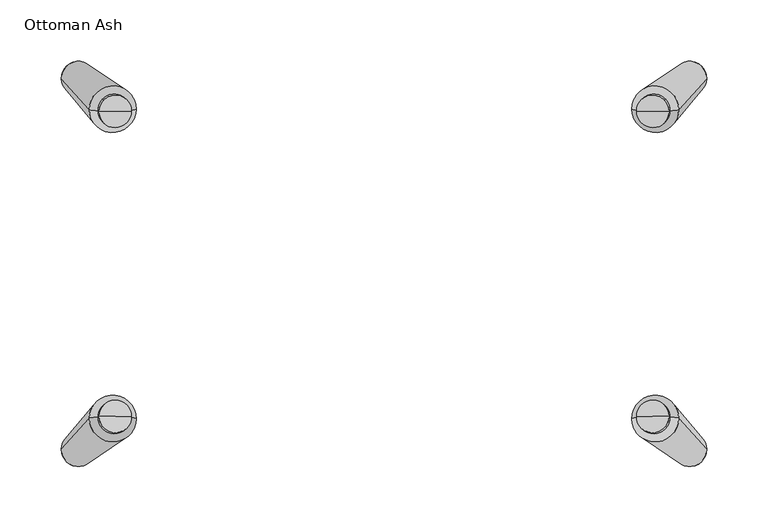
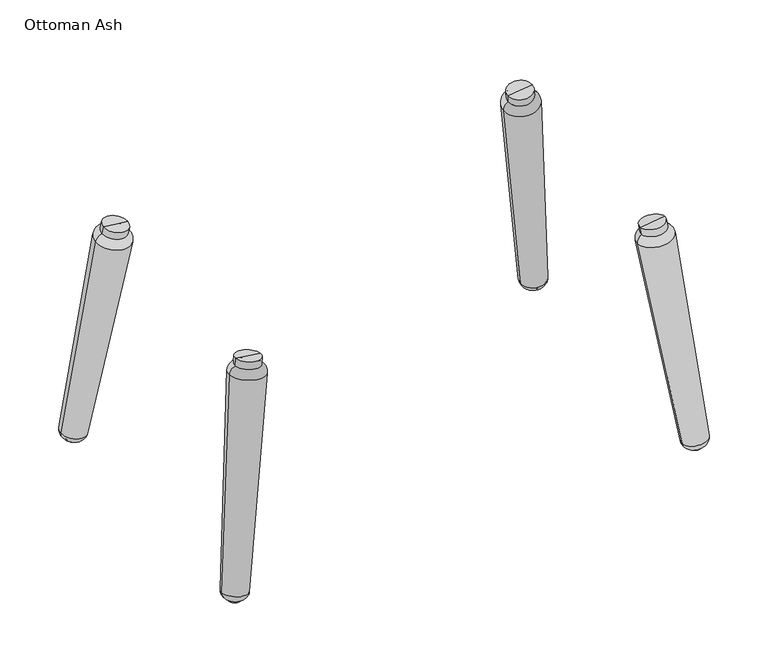
"""IFC4 building model written with IfcOpenShell, lengths in millimetres: furniture geometry, Ottoman Ash."""

import ifcopenshell
import ifcopenshell.guid

model = None  # the IFC model being written
_history = None  # IfcOwnerHistory: only IFC2X3 demands one
_inside = {}  # id of a spatial element -> (the spatial element, [elements in it])
_under = {}  # id of a project, library or spatial element -> (it, [spatial elements below it])
_declared = {}  # id of a project -> (the project, [libraries it declares])
_typed = {}  # id of a type object -> (the type object, [elements of that type])
_made_of = {}  # id of a material, layer set ... -> (it, [elements and type objects made of it])


def new_model(schema):
    """Start an empty IFC model of exactly this schema.

    Asked for "IFC4X3", IfcOpenShell would pick the latest addendum, in which some entities
    have other attributes; the version numbers below select the first issue.
    IFC2X3 requires an IfcOwnerHistory on every rooted entity: one is made here for all.
    """
    global model, _history
    if schema == "IFC4X3":
        model = ifcopenshell.file(schema_version=(4, 3, 0, 0))
    else:
        model = ifcopenshell.file(schema=schema)
    _inside.clear()
    _under.clear()
    _declared.clear()
    _typed.clear()
    _made_of.clear()
    _history = None
    if model.schema == "IFC2X3":
        org = make("IfcOrganization", Name="unknown")
        user = make(
            "IfcPersonAndOrganization",
            ThePerson=make("IfcPerson", FamilyName="unknown"),
            TheOrganization=org,
        )
        app = make(
            "IfcApplication",
            ApplicationDeveloper=org,
            Version="unknown",
            ApplicationFullName="unknown",
            ApplicationIdentifier="unknown",
        )
        _history = make(
            "IfcOwnerHistory",
            OwningUser=user,
            OwningApplication=app,
            ChangeAction="ADDED",
            CreationDate=0,
        )
    return model


def make(cls, **values):
    """One entity of the class cls with the attributes given. An attribute that is None is left unset."""
    return model.create_entity(
        cls, **{name: value for name, value in values.items() if value is not None}
    )


def rooted(cls, **values):
    """An entity with a GlobalId (a new one), such as an element, a storey or a relation."""
    return make(cls, GlobalId=ifcopenshell.guid.new(), OwnerHistory=_history, **values)


def si_unit(unit_type, name, prefix=None):
    """IfcSIUnit, for example si_unit("LENGTHUNIT", "METRE", prefix="MILLI")."""
    return make("IfcSIUnit", UnitType=unit_type, Prefix=prefix, Name=name)


def assignment(units):
    """IfcUnitAssignment: the units of a project."""
    return None if units is None else make("IfcUnitAssignment", Units=units)


def point(xyz):
    """IfcCartesianPoint."""
    return None if xyz is None else make("IfcCartesianPoint", Coordinates=xyz)


def direction(xyz):
    """IfcDirection."""
    return None if xyz is None else make("IfcDirection", DirectionRatios=xyz)


def frame(location, z_axis=None, x_axis=None):
    """IfcAxis2Placement3D, a coordinate frame: its origin and axes. An axis left out is left unset."""
    return make(
        "IfcAxis2Placement3D",
        Location=point(location),
        Axis=direction(z_axis),
        RefDirection=direction(x_axis),
    )


def origin():
    """The frame at (0, 0, 0) with its axes left unset."""
    return frame((0.0, 0.0, 0.0))


def place(relative_to, where):
    """IfcLocalPlacement: puts the frame where relative to a parent placement (None: the world)."""
    return make(
        "IfcLocalPlacement", PlacementRelTo=relative_to, RelativePlacement=where
    )


def context(
    kind, dimensions, precision=None, world=None, true_north=None, identifier=None
):
    """IfcGeometricRepresentationContext, for example the 3D "Model" context."""
    return make(
        "IfcGeometricRepresentationContext",
        ContextIdentifier=identifier,
        ContextType=kind,
        CoordinateSpaceDimension=dimensions,
        Precision=precision,
        WorldCoordinateSystem=world,
        TrueNorth=true_north,
    )


def project(units=None, contexts=None):
    """IfcProject with its units and contexts."""
    return rooted(
        "IfcProject",
        Name="project",
        RepresentationContexts=contexts,
        UnitsInContext=assignment(units),
    )


def spatial(cls, under=None, at=None, **own):
    """A site, building, storey or space (cls), placed at a placement, below another one or the project."""
    s = rooted(cls, ObjectPlacement=at, **own)
    if under is not None:
        _under.setdefault(under.id(), (under, []))[1].append(s)
    return s


def circle_curve(where, radius):
    """IfcCircle in the frame where."""
    return make("IfcCircle", Position=where, Radius=radius)


def ellipse_curve(where, semi_axis1, semi_axis2):
    """IfcEllipse in the frame where."""
    return make(
        "IfcEllipse", Position=where, SemiAxis1=semi_axis1, SemiAxis2=semi_axis2
    )


def trimmed(basis, trim1, trim2, sense, master):
    """IfcTrimmedCurve: the piece of a basis curve between two trims."""
    return make(
        "IfcTrimmedCurve",
        BasisCurve=basis,
        Trim1=trim1,
        Trim2=trim2,
        SenseAgreement=sense,
        MasterRepresentation=master,
    )


def shape(context_of_items, identifier, shape_type, items):
    """IfcShapeRepresentation: the items that make up one representation, for example the "Body"."""
    return make(
        "IfcShapeRepresentation",
        ContextOfItems=context_of_items,
        RepresentationIdentifier=identifier,
        RepresentationType=shape_type,
        Items=items,
    )


def source(mapping_origin, context_of_items, identifier, shape_type, items):
    """IfcRepresentationMap: a shape defined once, which mapped items show again and again."""
    return make(
        "IfcRepresentationMap",
        MappingOrigin=mapping_origin,
        MappedRepresentation=shape(context_of_items, identifier, shape_type, items),
    )


def transform(
    local_origin,
    x_axis=None,
    y_axis=None,
    z_axis=None,
    scale=None,
    scale2=None,
    scale3=None,
    uniform=True,
):
    """IfcCartesianTransformationOperator3D, or its non-uniform kind. x_axis, y_axis, z_axis: its Axis1, 2, 3."""
    if uniform:
        return make(
            "IfcCartesianTransformationOperator3D",
            Axis1=direction(x_axis),
            Axis2=direction(y_axis),
            LocalOrigin=point(local_origin),
            Scale=scale,
            Axis3=direction(z_axis),
        )
    return make(
        "IfcCartesianTransformationOperator3DnonUniform",
        Axis1=direction(x_axis),
        Axis2=direction(y_axis),
        LocalOrigin=point(local_origin),
        Scale=scale,
        Axis3=direction(z_axis),
        Scale2=scale2,
        Scale3=scale3,
    )


def mapped(mapping_source, mapping_target):
    """IfcMappedItem: shows the shape of a source again, moved by a transform."""
    return make(
        "IfcMappedItem", MappingSource=mapping_source, MappingTarget=mapping_target
    )


def made_of(thing, what):
    """Note that an element or type object is made of a material, layer set ...; save() writes the relation."""
    if what is not None:
        _made_of.setdefault(what.id(), (what, []))[1].append(thing)
    return thing


def element(
    cls,
    number,
    at=None,
    inside=None,
    cuts=None,
    type_object=None,
    material=None,
    context=None,
    identifier="Body",
    shape_type=None,
    held_by="IfcProductDefinitionShape",
    body=None,
    shapes=None,
    **own,
):
    """One element of the class cls, such as IfcWall. Its Tag is "e" and its number.

    at: its placement. inside: the storey or other place that contains it. cuts: it is an
    opening in that element (IfcRelVoidsElement). A single representation is given by context,
    identifier, shape_type and body (its items); several are given by shapes. held_by: the class
    of the entity that holds the representations. save() writes the other relations.
    """
    e = rooted(cls, Tag="e%d" % number, ObjectPlacement=at, **own)
    if body is not None:
        shapes = [shape(context, identifier, shape_type, body)]
    if shapes is not None:
        e.Representation = make(held_by, Representations=shapes)
    if inside is not None:
        _inside.setdefault(inside.id(), (inside, []))[1].append(e)
    if cuts is not None:
        rooted(
            "IfcRelVoidsElement", RelatingBuildingElement=cuts, RelatedOpeningElement=e
        )
    if type_object is not None:
        _typed.setdefault(type_object.id(), (type_object, []))[1].append(e)
    return made_of(e, material)


def aggregate(whole, parts):
    """IfcRelAggregates: a whole, such as a stair, and the parts it consists of."""
    return rooted("IfcRelAggregates", RelatingObject=whole, RelatedObjects=parts)


def save(model, path):
    """Write the relations noted so far, then the file.

    IfcRelAggregates (storeys below a building ...), IfcRelContainedInSpatialStructure (elements
    in a storey), IfcRelDefinesByType, IfcRelAssociatesMaterial and IfcRelDeclares: one each for
    every whole, place, type object, material and project.
    """
    for whole, parts in _under.values():
        aggregate(whole, parts)
    for where, things in _inside.values():
        rooted(
            "IfcRelContainedInSpatialStructure",
            RelatedElements=things,
            RelatingStructure=where,
        )
    for kind, things in _typed.values():
        rooted("IfcRelDefinesByType", RelatedObjects=things, RelatingType=kind)
    for what, things in _made_of.values():
        rooted("IfcRelAssociatesMaterial", RelatedObjects=things, RelatingMaterial=what)
    for by, libraries in _declared.values():
        rooted("IfcRelDeclares", RelatingContext=by, RelatedDefinitions=libraries)
    model.write(path)


def plane_surface(at):
    """IfcPlane: the flat surface through the origin of the frame at, square to its z axis."""
    return make("IfcPlane", Position=at)


def cylinder_surface(at, radius):
    """IfcCylindricalSurface: all points at the distance radius from the z axis of the frame at."""
    return make("IfcCylindricalSurface", Position=at, Radius=radius)


def revolved_surface(curve, axis_point, axis_direction):
    """IfcSurfaceOfRevolution: the curve turned about the line through axis_point along axis_direction."""
    return make(
        "IfcSurfaceOfRevolution",
        SweptCurve=make("IfcArbitraryOpenProfileDef", ProfileType="CURVE", Curve=curve),
        AxisPosition=make("IfcAxis1Placement", Location=point(axis_point), Axis=direction(axis_direction)),
    )


def advanced_brep(points, edges, surfaces, faces):
    """IfcAdvancedBrep: a solid bounded by faces that lie on surfaces and meet in shared edges.

    An edge is (start, end): straight between two places in points (the first is 0);
    or (start, end, curve); or (start, end, curve, False) where it runs against its curve.
    A face is (place in surfaces, loops), or (place, loops, False) where it looks against
    its surface's normal. A loop lists edges by number (the first is 1), with a minus sign
    where the edge is run from its end to its start. The first loop is the outer one.
    """
    corners = [point(p) for p in points]
    vertices = [make("IfcVertexPoint", VertexGeometry=c) for c in corners]
    made = []
    for start, end, *more in edges:
        made.append(
            make(
                "IfcEdgeCurve",
                EdgeStart=vertices[start],
                EdgeEnd=vertices[end],
                EdgeGeometry=more[0] if more else make("IfcPolyline", Points=[corners[start], corners[end]]),
                SameSense=more[1] if len(more) > 1 else True,
            )
        )
    hull = []
    for where, loops, *sense in faces:
        bounds = []
        for j, loop in enumerate(loops):
            ring = [make("IfcOrientedEdge", EdgeElement=made[abs(k) - 1], Orientation=k > 0) for k in loop]
            bounds.append(
                make(
                    "IfcFaceOuterBound" if j == 0 else "IfcFaceBound",
                    Bound=make("IfcEdgeLoop", EdgeList=ring),
                    Orientation=True,
                )
            )
        hull.append(make("IfcAdvancedFace", Bounds=bounds, FaceSurface=surfaces[where], SameSense=sense[0] if sense else True))
    return make("IfcAdvancedBrep", Outer=make("IfcClosedShell", CfsFaces=hull))


def ottoman_ash_db620d0a(model_context):
    return source(origin(), model_context, "Body", "AdvancedBrep", [
        advanced_brep(
        [(202.0126849, 126.4446062, 235.3753679), (239.9874045, 125.9223667, 240.0380771), (262.8022365, 151.2418299, 13.978389), (235.2484559, 151.6207576, 10.5952101), (206.7135706, 125.442583, 244.321729), (233.2368173, 125.0778275, 247.5783743), (205.7392558, 124.5648293, 252.1585748), (232.2625025, 124.2000738, 255.41522), (219.0008791, 124.3824515, 253.7868974), (242.3939543, 152.3749799, 3.8612891), (257.5208247, 152.1669507, 5.7186353), (250.5261831, 152.7833877, 0.2149029), (241.2346383, 152.3909231, 3.718943), (258.6801407, 152.1510075, 5.8609814)],
        [
            (0, 1, circle_curve(frame((221.0000447, 126.1834865, 237.7067225), z_axis=(0.12261994994802575, 0.1104674951840009, -0.9862866116816736), x_axis=(0.9924537006202072, -0.013648514506904514, 0.12185799184711342)), 19.1317336)),
            (1, 2, circle_curve(frame((-3442.8950304, 179.8243388, -241.2147416), z_axis=(0.0, 0.9937860184967022, 0.11130745455930813), x_axis=(-1.0000000000000002, 0.0, 0.0)), 3714.5837893)),
            (2, 3, circle_curve(frame((249.0253462, 151.4312937, 12.2867996), z_axis=(-0.12261994994802575, -0.1104674951840009, 0.9862866116816736), x_axis=(0.9924537006202072, -0.013648514506904514, 0.12185799184711342)), 13.8816453)),
            (3, 0, circle_curve(frame((3892.0102081, 78.9525697, 659.3983774), z_axis=(0.0, 0.9937860184967022, 0.11130745455930852), x_axis=(0.9699286957494875, -0.027091037460695105, 0.24187682991762904)), 3714.5837893)),
            (1, 0, circle_curve(frame((221.0000447, 126.1834865, 237.7067225), z_axis=(0.12261994994802575, 0.1104674951840009, -0.9862866116816736), x_axis=(0.9924537006202072, -0.013648514506904514, 0.12185799184711342)), 19.1317336)),
            (3, 2, circle_curve(frame((249.0253462, 151.4312937, 12.2867996), z_axis=(-0.12261994994802575, -0.1104674951840009, 0.9862866116816736), x_axis=(0.9924537006202072, -0.013648514506904514, 0.12185799184711342)), 13.8816453)),
            (4, 5, circle_curve(frame((219.9751939, 125.2602052, 245.9500516), z_axis=(0.12261994994802575, 0.1104674951840009, -0.9862866116816736), x_axis=(0.9924537006202072, -0.013648514506904514, 0.12185799184711342)), 13.3624605)),
            (5, 1, circle_curve(frame((231.0232737, 126.0535641, 238.8667084), z_axis=(0.0, 0.9937860184967022, 0.11130745455930813), x_axis=(-1.0000000000000002, 0.0, 0.0)), 9.0412918)),
            (0, 4, circle_curve(frame((210.9941338, 126.3290107, 236.4074393), z_axis=(0.0, 0.9937860184967022, 0.11130745455930852), x_axis=(0.9699286957494875, -0.027091037460695105, 0.24187682991762904)), 9.0412918)),
            (5, 4, circle_curve(frame((219.9751939, 125.2602052, 245.9500516), z_axis=(0.12261994994802575, 0.1104674951840009, -0.9862866116816736), x_axis=(0.9924537006202072, -0.013648514506904514, 0.12185799184711342)), 13.3624605)),
            (6, 7, circle_curve(frame((219.0008791, 124.3824515, 253.7868974), z_axis=(0.12261994994802575, 0.1104674951840009, -0.9862866116816736), x_axis=(0.9924537006202072, -0.013648514506904514, 0.12185799184711342)), 13.3624605)),
            (7, 5),
            (4, 6),
            (7, 6, circle_curve(frame((219.0008791, 124.3824515, 253.7868974), z_axis=(0.12261994994802575, 0.1104674951840009, -0.9862866116816736), x_axis=(0.9924537006202072, -0.013648514506904514, 0.12185799184711342)), 13.3624605)),
            (8, 7),
            (6, 8),
            (9, 10, circle_curve(frame((249.9573895, 152.2709653, 4.7899622), z_axis=(0.12261994994802575, 0.1104674951840009, -0.9862866116816736), x_axis=(0.9924537006202072, -0.013648514506904514, 0.12185799184711342)), 7.6209451)),
            (10, 11, circle_curve(frame((249.6006117, 151.8533965, 8.5181404), z_axis=(0.0, 0.9937860184967022, 0.11130745455930813), x_axis=(-1.0000000000000002, 0.0, 0.0)), 8.4062666)),
            (11, 9, circle_curve(frame((249.3903662, 151.8562879, 8.4923255), z_axis=(0.0, 0.9937860184967022, 0.11130745455930852), x_axis=(0.9699286957494875, -0.027091037460695105, 0.24187682991762904)), 8.4062666)),
            (10, 9, circle_curve(frame((249.9573895, 152.2709653, 4.7899622), z_axis=(0.12261994994802575, 0.1104674951840009, -0.9862866116816736), x_axis=(0.9924537006202072, -0.013648514506904514, 0.12185799184711342)), 7.6209451)),
            (12, 13, circle_curve(frame((249.9573895, 152.2709653, 4.7899622), z_axis=(0.12261994994802575, 0.1104674951840009, -0.9862866116816736), x_axis=(0.9924537006202072, -0.013648514506904514, 0.12185799184711342)), 8.7890762)),
            (13, 10),
            (9, 12),
            (13, 12, circle_curve(frame((249.9573895, 152.2709653, 4.7899622), z_axis=(0.12261994994802575, 0.1104674951840009, -0.9862866116816736), x_axis=(0.9924537006202072, -0.013648514506904514, 0.12185799184711342)), 8.7890762)),
            (2, 13, circle_curve(frame((253.8742775, 151.3106924, 13.3635644), z_axis=(0.0, 0.9937860184967022, 0.11130745455930813), x_axis=(-1.0000000000000002, 0.0, 0.0)), 8.9493688)),
            (12, 3, circle_curve(frame((244.0585169, 151.4456816, 12.1583405), z_axis=(0.0, 0.9937860184967022, 0.11130745455930852), x_axis=(0.9699286957494875, -0.027091037460695105, 0.24187682991762904)), 8.9493688)),
        ],
        [
            revolved_surface(trimmed(ellipse_curve(frame((-3442.8950304, 179.8243388, -241.2147416), z_axis=(0.0, -0.9937860184967022, -0.11130745455930813), x_axis=(-1.0000000000000002, 0.0, 0.0)), 3714.5837893, 3714.5837893), [point((262.8022365, 151.2418299, 13.978389))], [point((239.9874045, 125.9223667, 240.0380771))], True, "CARTESIAN"), (250.5261831, 152.7833877, 0.2149029), (-0.12261994994802575, -0.1104674951840009, 0.9862866116816736)),
            revolved_surface(trimmed(ellipse_curve(frame((-3442.8950304, 179.8243388, -241.2147416), z_axis=(0.0, -0.9937860184967025, -0.11130745455930816), x_axis=(-1.0000000000000002, 0.0, 0.0)), 3714.5837893, 3714.5837893), [point((262.8022365, 151.2418299, 13.978389))], [point((239.9874045, 125.9223667, 240.0380771))], True, "CARTESIAN"), (250.5261831, 152.7833877, 0.2149029), (-0.12261994994802575, -0.1104674951840009, 0.9862866116816736)),
            revolved_surface(trimmed(ellipse_curve(frame((231.0232737, 126.0535641, 238.8667084), z_axis=(0.0, -0.9937860184967022, -0.11130745455930813), x_axis=(-1.0000000000000002, 0.0, 0.0)), 9.0412918, 9.0412918), [point((239.9874045, 125.9223667, 240.0380771))], [point((233.2368173, 125.0778275, 247.5783743))], True, "CARTESIAN"), (250.5261831, 152.7833877, 0.2149029), (-0.12261994994802575, -0.1104674951840009, 0.9862866116816736)),
            revolved_surface(trimmed(ellipse_curve(frame((231.0232737, 126.0535641, 238.8667084), z_axis=(0.0, -0.9937860184967025, -0.11130745455930816), x_axis=(-1.0000000000000002, 0.0, 0.0)), 9.0412918, 9.0412918), [point((239.9874045, 125.9223667, 240.0380771))], [point((233.2368173, 125.0778275, 247.5783743))], True, "CARTESIAN"), (250.5261831, 152.7833877, 0.2149029), (-0.12261994994802575, -0.1104674951840009, 0.9862866116816736)),
            cylinder_surface(frame((250.5261831, 152.7833877, 0.2149029), z_axis=(-0.12261994994802575, -0.1104674951840009, 0.9862866116816736), x_axis=(0.9924537006202072, -0.013648514506904514, 0.12185799184711342)), 13.3624605),
            plane_surface(frame((219.0008791, 124.3824515, 253.7868974), z_axis=(-0.12261994994802577, -0.11046749518400091, 0.9862866116816739), x_axis=(0.9924537006202072, -0.013648514506904514, 0.12185799184711342))),
            revolved_surface(trimmed(ellipse_curve(frame((249.6006117, 151.8533965, 8.5181404), z_axis=(0.0, -0.9937860184967022, -0.11130745455930813), x_axis=(-1.0000000000000002, 0.0, 0.0)), 8.4062666, 8.4062666), [point((250.5261831, 152.7833877, 0.2149029))], [point((257.5208247, 152.1669507, 5.7186353))], True, "CARTESIAN"), (250.5261831, 152.7833877, 0.2149029), (-0.12261994994802575, -0.1104674951840009, 0.9862866116816736)),
            revolved_surface(trimmed(ellipse_curve(frame((249.6006117, 151.8533965, 8.5181404), z_axis=(0.0, -0.9937860184967025, -0.11130745455930816), x_axis=(-1.0000000000000002, 0.0, 0.0)), 8.4062666, 8.4062666), [point((250.5261831, 152.7833877, 0.2149029))], [point((257.5208247, 152.1669507, 5.7186353))], True, "CARTESIAN"), (250.5261831, 152.7833877, 0.2149029), (-0.12261994994802575, -0.1104674951840009, 0.9862866116816736)),
            plane_surface(frame((249.9573895, 152.2709653, 4.7899622), z_axis=(0.12261994994802577, 0.11046749518400091, -0.9862866116816739), x_axis=(0.9924537006202072, -0.013648514506904514, 0.12185799184711342))),
            revolved_surface(trimmed(ellipse_curve(frame((253.8742775, 151.3106924, 13.3635644), z_axis=(0.0, -0.9937860184967022, -0.11130745455930813), x_axis=(-1.0000000000000002, 0.0, 0.0)), 8.9493688, 8.9493688), [point((258.6801407, 152.1510075, 5.8609814))], [point((262.8022365, 151.2418299, 13.978389))], True, "CARTESIAN"), (250.5261831, 152.7833877, 0.2149029), (-0.12261994994802575, -0.1104674951840009, 0.9862866116816736)),
            revolved_surface(trimmed(ellipse_curve(frame((253.8742775, 151.3106924, 13.3635644), z_axis=(0.0, -0.9937860184967025, -0.11130745455930816), x_axis=(-1.0000000000000002, 0.0, 0.0)), 8.9493688, 8.9493688), [point((258.6801407, 152.1510075, 5.8609814))], [point((262.8022365, 151.2418299, 13.978389))], True, "CARTESIAN"), (250.5261831, 152.7833877, 0.2149029), (-0.12261994994802575, -0.1104674951840009, 0.9862866116816736)),
        ],
        [
            (0, [[1, 2, 3, 4]]),
            (1, [[5, -4, 6, -2]]),
            (2, [[7, 8, -1, 9]]),
            (3, [[10, -9, -5, -8]]),
            (4, [[11, 12, -7, 13]]),
            (4, [[14, -13, -10, -12]]),
            (5, [[15, -11, 16]]),
            (5, [[-16, -14, -15]]),
            (6, [[17, 18, 19]]),
            (7, [[20, -19, -18]]),
            (8, [[21, 22, -17, 23]]),
            (8, [[24, -23, -20, -22]]),
            (9, [[-3, 25, -21, 26]]),
            (10, [[-6, -26, -24, -25]]),
        ],
    ),
        advanced_brep(
        [(235.2484559, -151.6207576, 10.5952101), (262.8022365, -151.2418299, 13.978389), (239.9874045, -125.9223667, 240.0380771), (202.0126849, -126.4446062, 235.3753679), (233.2368173, -125.0778275, 247.5783743), (206.7135706, -125.442583, 244.321729), (232.2625025, -124.2000738, 255.41522), (205.7392558, -124.5648293, 252.1585748), (219.0008791, -124.3824515, 253.7868974), (250.5261831, -152.7833877, 0.2149029), (257.5208247, -152.1669507, 5.7186353), (242.3939543, -152.3749799, 3.8612891), (258.6801407, -152.1510075, 5.8609814), (241.2346383, -152.3909231, 3.718943)],
        [
            (0, 1, circle_curve(frame((249.0253462, -151.4312937, 12.2867996), z_axis=(-0.12261994994802575, 0.1104674951840009, 0.9862866116816736), x_axis=(0.9924537006202072, 0.013648514506904514, 0.12185799184711342)), 13.8816453)),
            (1, 2, circle_curve(frame((-3442.8950304, -179.8243388, -241.2147416), z_axis=(0.0, -0.9937860184967022, 0.11130745455930813), x_axis=(-1.0000000000000002, 0.0, 0.0)), 3714.5837893)),
            (2, 3, circle_curve(frame((221.0000447, -126.1834865, 237.7067225), z_axis=(0.12261994994802575, -0.1104674951840009, -0.9862866116816736), x_axis=(0.9924537006202072, 0.013648514506904514, 0.12185799184711342)), 19.1317336)),
            (3, 0, circle_curve(frame((3892.0102081, -78.9525697, 659.3983774), z_axis=(0.0, -0.9937860184967022, 0.11130745455930852), x_axis=(0.9699286957494875, 0.027091037460695105, 0.24187682991762904)), 3714.5837893)),
            (1, 0, circle_curve(frame((249.0253462, -151.4312937, 12.2867996), z_axis=(-0.12261994994802575, 0.1104674951840009, 0.9862866116816736), x_axis=(0.9924537006202072, 0.013648514506904514, 0.12185799184711342)), 13.8816453)),
            (3, 2, circle_curve(frame((221.0000447, -126.1834865, 237.7067225), z_axis=(0.12261994994802575, -0.1104674951840009, -0.9862866116816736), x_axis=(0.9924537006202072, 0.013648514506904514, 0.12185799184711342)), 19.1317336)),
            (2, 4, circle_curve(frame((231.0232737, -126.0535641, 238.8667084), z_axis=(0.0, -0.9937860184967022, 0.11130745455930813), x_axis=(-1.0000000000000002, 0.0, 0.0)), 9.0412918)),
            (4, 5, circle_curve(frame((219.9751939, -125.2602052, 245.9500516), z_axis=(0.12261994994802575, -0.1104674951840009, -0.9862866116816736), x_axis=(0.9924537006202072, 0.013648514506904514, 0.12185799184711342)), 13.3624605)),
            (5, 3, circle_curve(frame((210.9941338, -126.3290107, 236.4074393), z_axis=(0.0, -0.9937860184967022, 0.11130745455930852), x_axis=(0.9699286957494875, 0.027091037460695105, 0.24187682991762904)), 9.0412918)),
            (5, 4, circle_curve(frame((219.9751939, -125.2602052, 245.9500516), z_axis=(0.12261994994802575, -0.1104674951840009, -0.9862866116816736), x_axis=(0.9924537006202072, 0.013648514506904514, 0.12185799184711342)), 13.3624605)),
            (4, 6),
            (6, 7, circle_curve(frame((219.0008791, -124.3824515, 253.7868974), z_axis=(0.12261994994802575, -0.1104674951840009, -0.9862866116816736), x_axis=(0.9924537006202072, 0.013648514506904514, 0.12185799184711342)), 13.3624605)),
            (7, 5),
            (7, 6, circle_curve(frame((219.0008791, -124.3824515, 253.7868974), z_axis=(0.12261994994802575, -0.1104674951840009, -0.9862866116816736), x_axis=(0.9924537006202072, 0.013648514506904514, 0.12185799184711342)), 13.3624605)),
            (6, 8),
            (8, 7),
            (9, 10, circle_curve(frame((249.6006117, -151.8533965, 8.5181404), z_axis=(0.0, -0.9937860184967022, 0.11130745455930813), x_axis=(-1.0000000000000002, 0.0, 0.0)), 8.4062666)),
            (10, 11, circle_curve(frame((249.9573895, -152.2709653, 4.7899622), z_axis=(0.12261994994802575, -0.1104674951840009, -0.9862866116816736), x_axis=(0.9924537006202072, 0.013648514506904514, 0.12185799184711342)), 7.6209451)),
            (11, 9, circle_curve(frame((249.3903662, -151.8562879, 8.4923255), z_axis=(0.0, -0.9937860184967022, 0.11130745455930852), x_axis=(0.9699286957494875, 0.027091037460695105, 0.24187682991762904)), 8.4062666)),
            (11, 10, circle_curve(frame((249.9573895, -152.2709653, 4.7899622), z_axis=(0.12261994994802575, -0.1104674951840009, -0.9862866116816736), x_axis=(0.9924537006202072, 0.013648514506904514, 0.12185799184711342)), 7.6209451)),
            (10, 12),
            (12, 13, circle_curve(frame((249.9573895, -152.2709653, 4.7899622), z_axis=(0.12261994994802575, -0.1104674951840009, -0.9862866116816736), x_axis=(0.9924537006202072, 0.013648514506904514, 0.12185799184711342)), 8.7890762)),
            (13, 11),
            (13, 12, circle_curve(frame((249.9573895, -152.2709653, 4.7899622), z_axis=(0.12261994994802575, -0.1104674951840009, -0.9862866116816736), x_axis=(0.9924537006202072, 0.013648514506904514, 0.12185799184711342)), 8.7890762)),
            (12, 1, circle_curve(frame((253.8742775, -151.3106924, 13.3635644), z_axis=(0.0, -0.9937860184967022, 0.11130745455930813), x_axis=(-1.0000000000000002, 0.0, 0.0)), 8.9493688)),
            (0, 13, circle_curve(frame((244.0585169, -151.4456816, 12.1583405), z_axis=(0.0, -0.9937860184967022, 0.11130745455930852), x_axis=(0.9699286957494875, 0.027091037460695105, 0.24187682991762904)), 8.9493688)),
        ],
        [
            revolved_surface(trimmed(ellipse_curve(frame((-3442.8950304, -179.8243388, -241.2147416), z_axis=(0.0, 0.9937860184967022, -0.11130745455930813), x_axis=(-1.0000000000000002, 0.0, 0.0)), 3714.5837893, 3714.5837893), [point((239.9874045, -125.9223667, 240.0380771))], [point((262.8022365, -151.2418299, 13.978389))], True, "CARTESIAN"), (250.5261831, -152.7833877, 0.2149029), (0.12261994994802575, -0.1104674951840009, -0.9862866116816736)),
            revolved_surface(trimmed(ellipse_curve(frame((-3442.8950304, -179.8243388, -241.2147416), z_axis=(0.0, 0.9937860184967025, -0.11130745455930816), x_axis=(-1.0000000000000002, 0.0, 0.0)), 3714.5837893, 3714.5837893), [point((239.9874045, -125.9223667, 240.0380771))], [point((262.8022365, -151.2418299, 13.978389))], True, "CARTESIAN"), (250.5261831, -152.7833877, 0.2149029), (0.12261994994802575, -0.1104674951840009, -0.9862866116816736)),
            revolved_surface(trimmed(ellipse_curve(frame((231.0232737, -126.0535641, 238.8667084), z_axis=(0.0, 0.9937860184967022, -0.11130745455930813), x_axis=(-1.0000000000000002, 0.0, 0.0)), 9.0412918, 9.0412918), [point((233.2368173, -125.0778275, 247.5783743))], [point((239.9874045, -125.9223667, 240.0380771))], True, "CARTESIAN"), (250.5261831, -152.7833877, 0.2149029), (0.12261994994802575, -0.1104674951840009, -0.9862866116816736)),
            revolved_surface(trimmed(ellipse_curve(frame((231.0232737, -126.0535641, 238.8667084), z_axis=(0.0, 0.9937860184967025, -0.11130745455930816), x_axis=(-1.0000000000000002, 0.0, 0.0)), 9.0412918, 9.0412918), [point((233.2368173, -125.0778275, 247.5783743))], [point((239.9874045, -125.9223667, 240.0380771))], True, "CARTESIAN"), (250.5261831, -152.7833877, 0.2149029), (0.12261994994802575, -0.1104674951840009, -0.9862866116816736)),
            cylinder_surface(frame((250.5261831, -152.7833877, 0.2149029), z_axis=(0.12261994994802575, -0.1104674951840009, -0.9862866116816736), x_axis=(0.9924537006202072, 0.013648514506904514, 0.12185799184711342)), 13.3624605),
            plane_surface(frame((219.0008791, -124.3824515, 253.7868974), z_axis=(-0.12261994994802577, 0.11046749518400091, 0.9862866116816739), x_axis=(0.9924537006202072, 0.013648514506904514, 0.12185799184711342))),
            revolved_surface(trimmed(ellipse_curve(frame((249.6006117, -151.8533965, 8.5181404), z_axis=(0.0, 0.9937860184967022, -0.11130745455930813), x_axis=(-1.0000000000000002, 0.0, 0.0)), 8.4062666, 8.4062666), [point((257.5208247, -152.1669507, 5.7186353))], [point((250.5261831, -152.7833877, 0.2149029))], True, "CARTESIAN"), (250.5261831, -152.7833877, 0.2149029), (0.12261994994802575, -0.1104674951840009, -0.9862866116816736)),
            revolved_surface(trimmed(ellipse_curve(frame((249.6006117, -151.8533965, 8.5181404), z_axis=(0.0, 0.9937860184967025, -0.11130745455930816), x_axis=(-1.0000000000000002, 0.0, 0.0)), 8.4062666, 8.4062666), [point((257.5208247, -152.1669507, 5.7186353))], [point((250.5261831, -152.7833877, 0.2149029))], True, "CARTESIAN"), (250.5261831, -152.7833877, 0.2149029), (0.12261994994802575, -0.1104674951840009, -0.9862866116816736)),
            plane_surface(frame((249.9573895, -152.2709653, 4.7899622), z_axis=(0.12261994994802577, -0.11046749518400091, -0.9862866116816739), x_axis=(0.9924537006202072, 0.013648514506904514, 0.12185799184711342))),
            revolved_surface(trimmed(ellipse_curve(frame((253.8742775, -151.3106924, 13.3635644), z_axis=(0.0, 0.9937860184967022, -0.11130745455930813), x_axis=(-1.0000000000000002, 0.0, 0.0)), 8.9493688, 8.9493688), [point((262.8022365, -151.2418299, 13.978389))], [point((258.6801407, -152.1510075, 5.8609814))], True, "CARTESIAN"), (250.5261831, -152.7833877, 0.2149029), (0.12261994994802575, -0.1104674951840009, -0.9862866116816736)),
            revolved_surface(trimmed(ellipse_curve(frame((253.8742775, -151.3106924, 13.3635644), z_axis=(0.0, 0.9937860184967025, -0.11130745455930816), x_axis=(-1.0000000000000002, 0.0, 0.0)), 8.9493688, 8.9493688), [point((262.8022365, -151.2418299, 13.978389))], [point((258.6801407, -152.1510075, 5.8609814))], True, "CARTESIAN"), (250.5261831, -152.7833877, 0.2149029), (0.12261994994802575, -0.1104674951840009, -0.9862866116816736)),
        ],
        [
            (0, [[1, 2, 3, 4]]),
            (1, [[5, -4, 6, -2]]),
            (2, [[-3, 7, 8, 9]]),
            (3, [[-6, -9, 10, -7]]),
            (4, [[-8, 11, 12, 13]]),
            (4, [[-10, -13, 14, -11]]),
            (5, [[-12, 15, 16]]),
            (5, [[-14, -16, -15]]),
            (6, [[17, 18, 19]]),
            (7, [[-19, 20, -17]]),
            (8, [[-18, 21, 22, 23]]),
            (8, [[-20, -23, 24, -21]]),
            (9, [[-22, 25, -1, 26]]),
            (10, [[-24, -26, -5, -25]]),
        ],
    ),
        advanced_brep(
        [(-235.2484559, 151.6207576, 10.5952101), (-262.8022365, 151.2418299, 13.978389), (-239.9874045, 125.9223667, 240.0380771), (-202.0126849, 126.4446062, 235.3753679), (-233.2368173, 125.0778275, 247.5783743), (-206.7135706, 125.442583, 244.321729), (-232.2625025, 124.2000738, 255.41522), (-205.7392558, 124.5648293, 252.1585748), (-219.0008791, 124.3824515, 253.7868974), (-250.5261831, 152.7833877, 0.2149029), (-257.5208247, 152.1669507, 5.7186353), (-242.3939543, 152.3749799, 3.8612891), (-258.6801407, 152.1510075, 5.8609814), (-241.2346383, 152.3909231, 3.718943)],
        [
            (0, 1, circle_curve(frame((-249.0253462, 151.4312937, 12.2867996), z_axis=(0.12261994994802575, -0.1104674951840009, 0.9862866116816736), x_axis=(-0.9924537006202072, -0.013648514506904514, 0.12185799184711342)), 13.8816453)),
            (1, 2, circle_curve(frame((3442.8950304, 179.8243388, -241.2147416), z_axis=(0.0, 0.9937860184967022, 0.11130745455930813), x_axis=(1.0000000000000002, 0.0, 0.0)), 3714.5837893)),
            (2, 3, circle_curve(frame((-221.0000447, 126.1834865, 237.7067225), z_axis=(-0.12261994994802575, 0.1104674951840009, -0.9862866116816736), x_axis=(-0.9924537006202072, -0.013648514506904514, 0.12185799184711342)), 19.1317336)),
            (3, 0, circle_curve(frame((-3892.0102081, 78.9525697, 659.3983774), z_axis=(0.0, 0.9937860184967022, 0.11130745455930852), x_axis=(-0.9699286957494875, -0.027091037460695105, 0.24187682991762904)), 3714.5837893)),
            (1, 0, circle_curve(frame((-249.0253462, 151.4312937, 12.2867996), z_axis=(0.12261994994802575, -0.1104674951840009, 0.9862866116816736), x_axis=(-0.9924537006202072, -0.013648514506904514, 0.12185799184711342)), 13.8816453)),
            (3, 2, circle_curve(frame((-221.0000447, 126.1834865, 237.7067225), z_axis=(-0.12261994994802575, 0.1104674951840009, -0.9862866116816736), x_axis=(-0.9924537006202072, -0.013648514506904514, 0.12185799184711342)), 19.1317336)),
            (2, 4, circle_curve(frame((-231.0232737, 126.0535641, 238.8667084), z_axis=(0.0, 0.9937860184967022, 0.11130745455930813), x_axis=(1.0000000000000002, 0.0, 0.0)), 9.0412918)),
            (4, 5, circle_curve(frame((-219.9751939, 125.2602052, 245.9500516), z_axis=(-0.12261994994802575, 0.1104674951840009, -0.9862866116816736), x_axis=(-0.9924537006202072, -0.013648514506904514, 0.12185799184711342)), 13.3624605)),
            (5, 3, circle_curve(frame((-210.9941338, 126.3290107, 236.4074393), z_axis=(0.0, 0.9937860184967022, 0.11130745455930852), x_axis=(-0.9699286957494875, -0.027091037460695105, 0.24187682991762904)), 9.0412918)),
            (5, 4, circle_curve(frame((-219.9751939, 125.2602052, 245.9500516), z_axis=(-0.12261994994802575, 0.1104674951840009, -0.9862866116816736), x_axis=(-0.9924537006202072, -0.013648514506904514, 0.12185799184711342)), 13.3624605)),
            (4, 6),
            (6, 7, circle_curve(frame((-219.0008791, 124.3824515, 253.7868974), z_axis=(-0.12261994994802575, 0.1104674951840009, -0.9862866116816736), x_axis=(-0.9924537006202072, -0.013648514506904514, 0.12185799184711342)), 13.3624605)),
            (7, 5),
            (7, 6, circle_curve(frame((-219.0008791, 124.3824515, 253.7868974), z_axis=(-0.12261994994802575, 0.1104674951840009, -0.9862866116816736), x_axis=(-0.9924537006202072, -0.013648514506904514, 0.12185799184711342)), 13.3624605)),
            (6, 8),
            (8, 7),
            (9, 10, circle_curve(frame((-249.6006117, 151.8533965, 8.5181404), z_axis=(0.0, 0.9937860184967022, 0.11130745455930813), x_axis=(1.0000000000000002, 0.0, 0.0)), 8.4062666)),
            (10, 11, circle_curve(frame((-249.9573895, 152.2709653, 4.7899622), z_axis=(-0.12261994994802575, 0.1104674951840009, -0.9862866116816736), x_axis=(-0.9924537006202072, -0.013648514506904514, 0.12185799184711342)), 7.6209451)),
            (11, 9, circle_curve(frame((-249.3903662, 151.8562879, 8.4923255), z_axis=(0.0, 0.9937860184967022, 0.11130745455930852), x_axis=(-0.9699286957494875, -0.027091037460695105, 0.24187682991762904)), 8.4062666)),
            (11, 10, circle_curve(frame((-249.9573895, 152.2709653, 4.7899622), z_axis=(-0.12261994994802575, 0.1104674951840009, -0.9862866116816736), x_axis=(-0.9924537006202072, -0.013648514506904514, 0.12185799184711342)), 7.6209451)),
            (10, 12),
            (12, 13, circle_curve(frame((-249.9573895, 152.2709653, 4.7899622), z_axis=(-0.12261994994802575, 0.1104674951840009, -0.9862866116816736), x_axis=(-0.9924537006202072, -0.013648514506904514, 0.12185799184711342)), 8.7890762)),
            (13, 11),
            (13, 12, circle_curve(frame((-249.9573895, 152.2709653, 4.7899622), z_axis=(-0.12261994994802575, 0.1104674951840009, -0.9862866116816736), x_axis=(-0.9924537006202072, -0.013648514506904514, 0.12185799184711342)), 8.7890762)),
            (12, 1, circle_curve(frame((-253.8742775, 151.3106924, 13.3635644), z_axis=(0.0, 0.9937860184967022, 0.11130745455930813), x_axis=(1.0000000000000002, 0.0, 0.0)), 8.9493688)),
            (0, 13, circle_curve(frame((-244.0585169, 151.4456816, 12.1583405), z_axis=(0.0, 0.9937860184967022, 0.11130745455930852), x_axis=(-0.9699286957494875, -0.027091037460695105, 0.24187682991762904)), 8.9493688)),
        ],
        [
            revolved_surface(trimmed(ellipse_curve(frame((3442.8950304, 179.8243388, -241.2147416), z_axis=(0.0, -0.9937860184967022, -0.11130745455930813), x_axis=(1.0000000000000002, 0.0, 0.0)), 3714.5837893, 3714.5837893), [point((-239.9874045, 125.9223667, 240.0380771))], [point((-262.8022365, 151.2418299, 13.978389))], True, "CARTESIAN"), (-250.5261831, 152.7833877, 0.2149029), (-0.12261994994802575, 0.1104674951840009, -0.9862866116816736)),
            revolved_surface(trimmed(ellipse_curve(frame((3442.8950304, 179.8243388, -241.2147416), z_axis=(0.0, -0.9937860184967025, -0.11130745455930816), x_axis=(1.0000000000000002, 0.0, 0.0)), 3714.5837893, 3714.5837893), [point((-239.9874045, 125.9223667, 240.0380771))], [point((-262.8022365, 151.2418299, 13.978389))], True, "CARTESIAN"), (-250.5261831, 152.7833877, 0.2149029), (-0.12261994994802575, 0.1104674951840009, -0.9862866116816736)),
            revolved_surface(trimmed(ellipse_curve(frame((-231.0232737, 126.0535641, 238.8667084), z_axis=(0.0, -0.9937860184967022, -0.11130745455930813), x_axis=(1.0000000000000002, 0.0, 0.0)), 9.0412918, 9.0412918), [point((-233.2368173, 125.0778275, 247.5783743))], [point((-239.9874045, 125.9223667, 240.0380771))], True, "CARTESIAN"), (-250.5261831, 152.7833877, 0.2149029), (-0.12261994994802575, 0.1104674951840009, -0.9862866116816736)),
            revolved_surface(trimmed(ellipse_curve(frame((-231.0232737, 126.0535641, 238.8667084), z_axis=(0.0, -0.9937860184967025, -0.11130745455930816), x_axis=(1.0000000000000002, 0.0, 0.0)), 9.0412918, 9.0412918), [point((-233.2368173, 125.0778275, 247.5783743))], [point((-239.9874045, 125.9223667, 240.0380771))], True, "CARTESIAN"), (-250.5261831, 152.7833877, 0.2149029), (-0.12261994994802575, 0.1104674951840009, -0.9862866116816736)),
            cylinder_surface(frame((-250.5261831, 152.7833877, 0.2149029), z_axis=(-0.12261994994802575, 0.1104674951840009, -0.9862866116816736), x_axis=(-0.9924537006202072, -0.013648514506904514, 0.12185799184711342)), 13.3624605),
            plane_surface(frame((-219.0008791, 124.3824515, 253.7868974), z_axis=(0.12261994994802577, -0.11046749518400091, 0.9862866116816739), x_axis=(-0.9924537006202072, -0.013648514506904514, 0.12185799184711342))),
            revolved_surface(trimmed(ellipse_curve(frame((-249.6006117, 151.8533965, 8.5181404), z_axis=(0.0, -0.9937860184967022, -0.11130745455930813), x_axis=(1.0000000000000002, 0.0, 0.0)), 8.4062666, 8.4062666), [point((-257.5208247, 152.1669507, 5.7186353))], [point((-250.5261831, 152.7833877, 0.2149029))], True, "CARTESIAN"), (-250.5261831, 152.7833877, 0.2149029), (-0.12261994994802575, 0.1104674951840009, -0.9862866116816736)),
            revolved_surface(trimmed(ellipse_curve(frame((-249.6006117, 151.8533965, 8.5181404), z_axis=(0.0, -0.9937860184967025, -0.11130745455930816), x_axis=(1.0000000000000002, 0.0, 0.0)), 8.4062666, 8.4062666), [point((-257.5208247, 152.1669507, 5.7186353))], [point((-250.5261831, 152.7833877, 0.2149029))], True, "CARTESIAN"), (-250.5261831, 152.7833877, 0.2149029), (-0.12261994994802575, 0.1104674951840009, -0.9862866116816736)),
            plane_surface(frame((-249.9573895, 152.2709653, 4.7899622), z_axis=(-0.12261994994802577, 0.11046749518400091, -0.9862866116816739), x_axis=(-0.9924537006202072, -0.013648514506904514, 0.12185799184711342))),
            revolved_surface(trimmed(ellipse_curve(frame((-253.8742775, 151.3106924, 13.3635644), z_axis=(0.0, -0.9937860184967022, -0.11130745455930813), x_axis=(1.0000000000000002, 0.0, 0.0)), 8.9493688, 8.9493688), [point((-262.8022365, 151.2418299, 13.978389))], [point((-258.6801407, 152.1510075, 5.8609814))], True, "CARTESIAN"), (-250.5261831, 152.7833877, 0.2149029), (-0.12261994994802575, 0.1104674951840009, -0.9862866116816736)),
            revolved_surface(trimmed(ellipse_curve(frame((-253.8742775, 151.3106924, 13.3635644), z_axis=(0.0, -0.9937860184967025, -0.11130745455930816), x_axis=(1.0000000000000002, 0.0, 0.0)), 8.9493688, 8.9493688), [point((-262.8022365, 151.2418299, 13.978389))], [point((-258.6801407, 152.1510075, 5.8609814))], True, "CARTESIAN"), (-250.5261831, 152.7833877, 0.2149029), (-0.12261994994802575, 0.1104674951840009, -0.9862866116816736)),
        ],
        [
            (0, [[1, 2, 3, 4]]),
            (1, [[5, -4, 6, -2]]),
            (2, [[-3, 7, 8, 9]]),
            (3, [[-6, -9, 10, -7]]),
            (4, [[-8, 11, 12, 13]]),
            (4, [[-10, -13, 14, -11]]),
            (5, [[-12, 15, 16]]),
            (5, [[-14, -16, -15]]),
            (6, [[17, 18, 19]]),
            (7, [[-19, 20, -17]]),
            (8, [[-18, 21, 22, 23]]),
            (8, [[-20, -23, 24, -21]]),
            (9, [[-22, 25, -1, 26]]),
            (10, [[-24, -26, -5, -25]]),
        ],
    ),
        advanced_brep(
        [(-202.0126849, -126.4446062, 235.3753679), (-239.9874045, -125.9223667, 240.0380771), (-262.8022365, -151.2418299, 13.978389), (-235.2484559, -151.6207576, 10.5952101), (-206.7135706, -125.442583, 244.321729), (-233.2368173, -125.0778275, 247.5783743), (-205.7392558, -124.5648293, 252.1585748), (-232.2625025, -124.2000738, 255.41522), (-219.0008791, -124.3824515, 253.7868974), (-242.3939543, -152.3749799, 3.8612891), (-257.5208247, -152.1669507, 5.7186353), (-250.5261831, -152.7833877, 0.2149029), (-241.2346383, -152.3909231, 3.718943), (-258.6801407, -152.1510075, 5.8609814)],
        [
            (0, 1, circle_curve(frame((-221.0000447, -126.1834865, 237.7067225), z_axis=(-0.12261994994802576, -0.11046749518400091, -0.9862866116816738), x_axis=(-0.9924537006202071, 0.013648514506904512, 0.1218579918471134)), 19.1317336)),
            (1, 2, circle_curve(frame((3442.8950304, -179.8243388, -241.2147416), z_axis=(0.0, -0.9937860184967022, 0.11130745455930813), x_axis=(1.0, 0.0, 0.0)), 3714.5837893)),
            (2, 3, circle_curve(frame((-249.0253462, -151.4312937, 12.2867996), z_axis=(0.12261994994802576, 0.11046749518400091, 0.9862866116816738), x_axis=(-0.9924537006202071, 0.013648514506904512, 0.1218579918471134)), 13.8816453)),
            (3, 0, circle_curve(frame((-3892.0102081, -78.9525697, 659.3983774), z_axis=(0.0, -0.9937860184967022, 0.11130745455930852), x_axis=(-0.9699286957494873, 0.0270910374606951, 0.241876829917629)), 3714.5837893)),
            (1, 0, circle_curve(frame((-221.0000447, -126.1834865, 237.7067225), z_axis=(-0.12261994994802576, -0.11046749518400091, -0.9862866116816738), x_axis=(-0.9924537006202071, 0.013648514506904512, 0.1218579918471134)), 19.1317336)),
            (3, 2, circle_curve(frame((-249.0253462, -151.4312937, 12.2867996), z_axis=(0.12261994994802576, 0.11046749518400091, 0.9862866116816738), x_axis=(-0.9924537006202071, 0.013648514506904512, 0.1218579918471134)), 13.8816453)),
            (4, 5, circle_curve(frame((-219.9751939, -125.2602052, 245.9500516), z_axis=(-0.12261994994802576, -0.11046749518400091, -0.9862866116816738), x_axis=(-0.9924537006202071, 0.013648514506904512, 0.1218579918471134)), 13.3624605)),
            (5, 1, circle_curve(frame((-231.0232737, -126.0535641, 238.8667084), z_axis=(0.0, -0.9937860184967022, 0.11130745455930813), x_axis=(1.0, 0.0, 0.0)), 9.0412918)),
            (0, 4, circle_curve(frame((-210.9941338, -126.3290107, 236.4074393), z_axis=(0.0, -0.9937860184967022, 0.11130745455930852), x_axis=(-0.9699286957494873, 0.0270910374606951, 0.241876829917629)), 9.0412918)),
            (5, 4, circle_curve(frame((-219.9751939, -125.2602052, 245.9500516), z_axis=(-0.12261994994802576, -0.11046749518400091, -0.9862866116816738), x_axis=(-0.9924537006202071, 0.013648514506904512, 0.1218579918471134)), 13.3624605)),
            (6, 7, circle_curve(frame((-219.0008791, -124.3824515, 253.7868974), z_axis=(-0.12261994994802576, -0.11046749518400091, -0.9862866116816738), x_axis=(-0.9924537006202071, 0.013648514506904512, 0.1218579918471134)), 13.3624605)),
            (7, 5),
            (4, 6),
            (7, 6, circle_curve(frame((-219.0008791, -124.3824515, 253.7868974), z_axis=(-0.12261994994802576, -0.11046749518400091, -0.9862866116816738), x_axis=(-0.9924537006202071, 0.013648514506904512, 0.1218579918471134)), 13.3624605)),
            (8, 7),
            (6, 8),
            (9, 10, circle_curve(frame((-249.9573895, -152.2709653, 4.7899622), z_axis=(-0.12261994994802576, -0.11046749518400091, -0.9862866116816738), x_axis=(-0.9924537006202071, 0.013648514506904512, 0.1218579918471134)), 7.6209451)),
            (10, 11, circle_curve(frame((-249.6006117, -151.8533965, 8.5181404), z_axis=(0.0, -0.9937860184967022, 0.11130745455930813), x_axis=(1.0, 0.0, 0.0)), 8.4062666)),
            (11, 9, circle_curve(frame((-249.3903662, -151.8562879, 8.4923255), z_axis=(0.0, -0.9937860184967022, 0.11130745455930852), x_axis=(-0.9699286957494873, 0.0270910374606951, 0.241876829917629)), 8.4062666)),
            (10, 9, circle_curve(frame((-249.9573895, -152.2709653, 4.7899622), z_axis=(-0.12261994994802576, -0.11046749518400091, -0.9862866116816738), x_axis=(-0.9924537006202071, 0.013648514506904512, 0.1218579918471134)), 7.6209451)),
            (12, 13, circle_curve(frame((-249.9573895, -152.2709653, 4.7899622), z_axis=(-0.12261994994802576, -0.11046749518400091, -0.9862866116816738), x_axis=(-0.9924537006202071, 0.013648514506904512, 0.1218579918471134)), 8.7890762)),
            (13, 10),
            (9, 12),
            (13, 12, circle_curve(frame((-249.9573895, -152.2709653, 4.7899622), z_axis=(-0.12261994994802576, -0.11046749518400091, -0.9862866116816738), x_axis=(-0.9924537006202071, 0.013648514506904512, 0.1218579918471134)), 8.7890762)),
            (2, 13, circle_curve(frame((-253.8742775, -151.3106924, 13.3635644), z_axis=(0.0, -0.9937860184967022, 0.11130745455930813), x_axis=(1.0, 0.0, 0.0)), 8.9493688)),
            (12, 3, circle_curve(frame((-244.0585169, -151.4456816, 12.1583405), z_axis=(0.0, -0.9937860184967022, 0.11130745455930852), x_axis=(-0.9699286957494873, 0.0270910374606951, 0.241876829917629)), 8.9493688)),
        ],
        [
            revolved_surface(trimmed(ellipse_curve(frame((3442.8950304, -179.8243388, -241.2147416), z_axis=(0.0, 0.9937860184967022, -0.11130745455930813), x_axis=(1.0, 0.0, 0.0)), 3714.5837893, 3714.5837893), [point((-262.8022365, -151.2418299, 13.978389))], [point((-239.9874045, -125.9223667, 240.0380771))], True, "CARTESIAN"), (-250.5261831, -152.7833877, 0.2149029), (0.12261994994802573, 0.11046749518400088, 0.9862866116816735)),
            revolved_surface(trimmed(ellipse_curve(frame((-231.0232737, -126.0535641, 238.8667084), z_axis=(0.0, 0.9937860184967022, -0.11130745455930813), x_axis=(1.0, 0.0, 0.0)), 9.0412918, 9.0412918), [point((-239.9874045, -125.9223667, 240.0380771))], [point((-233.2368173, -125.0778275, 247.5783743))], True, "CARTESIAN"), (-250.5261831, -152.7833877, 0.2149029), (0.12261994994802573, 0.11046749518400088, 0.9862866116816735)),
            cylinder_surface(frame((-250.5261831, -152.7833877, 0.2149029), z_axis=(0.12261994994802573, 0.11046749518400088, 0.9862866116816735), x_axis=(-0.9924537006202071, 0.013648514506904512, 0.1218579918471134)), 13.3624605),
            plane_surface(frame((-219.0008791, -124.3824515, 253.7868974), z_axis=(0.12261994994802577, 0.1104674951840009, 0.9862866116816738), x_axis=(-0.9924537006202071, 0.013648514506904512, 0.1218579918471134))),
            revolved_surface(trimmed(ellipse_curve(frame((-249.6006117, -151.8533965, 8.5181404), z_axis=(0.0, 0.9937860184967022, -0.11130745455930813), x_axis=(1.0, 0.0, 0.0)), 8.4062666, 8.4062666), [point((-250.5261831, -152.7833877, 0.2149029))], [point((-257.5208247, -152.1669507, 5.7186353))], True, "CARTESIAN"), (-250.5261831, -152.7833877, 0.2149029), (0.12261994994802573, 0.11046749518400088, 0.9862866116816735)),
            plane_surface(frame((-249.9573895, -152.2709653, 4.7899622), z_axis=(-0.12261994994802577, -0.1104674951840009, -0.9862866116816738), x_axis=(-0.9924537006202071, 0.013648514506904512, 0.1218579918471134))),
            revolved_surface(trimmed(ellipse_curve(frame((-253.8742775, -151.3106924, 13.3635644), z_axis=(0.0, 0.9937860184967022, -0.11130745455930813), x_axis=(1.0, 0.0, 0.0)), 8.9493688, 8.9493688), [point((-258.6801407, -152.1510075, 5.8609814))], [point((-262.8022365, -151.2418299, 13.978389))], True, "CARTESIAN"), (-250.5261831, -152.7833877, 0.2149029), (0.12261994994802573, 0.11046749518400088, 0.9862866116816735)),
        ],
        [
            (0, [[1, 2, 3, 4]]),
            (0, [[5, -4, 6, -2]]),
            (1, [[7, 8, -1, 9]]),
            (1, [[10, -9, -5, -8]]),
            (2, [[11, 12, -7, 13]]),
            (2, [[14, -13, -10, -12]]),
            (3, [[15, -11, 16]]),
            (3, [[-16, -14, -15]]),
            (4, [[17, 18, 19]]),
            (4, [[20, -19, -18]]),
            (5, [[21, 22, -17, 23]]),
            (5, [[24, -23, -20, -22]]),
            (6, [[-3, 25, -21, 26]]),
            (6, [[-6, -26, -24, -25]]),
        ],
    ),
    ])


if __name__ == "__main__":
    model = new_model("IFC4")
    model_context = context("Model", 3, world=origin())
    ifc_project = project(units=[si_unit("LENGTHUNIT", "METRE", prefix="MILLI")], contexts=[model_context])
    site = spatial("IfcSite", under=ifc_project)
    building = spatial("IfcBuilding", under=site)
    placement = place(None, origin())
    ottoman_ash_shape = ottoman_ash_db620d0a(model_context)
    element("IfcFurniture", 1, ObjectType="Ottoman Ash", at=placement, inside=building, context=model_context, shape_type="MappedRepresentation", body=[
        mapped(ottoman_ash_shape, transform((0.0, 0.0, 0.0), x_axis=(1.0, 0.0, 0.0), y_axis=(0.0, 1.0, 0.0), z_axis=(0.0, 0.0, 1.0))),
    ])
    save(model, "model.ifc")
